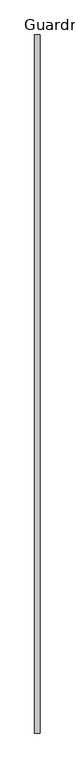
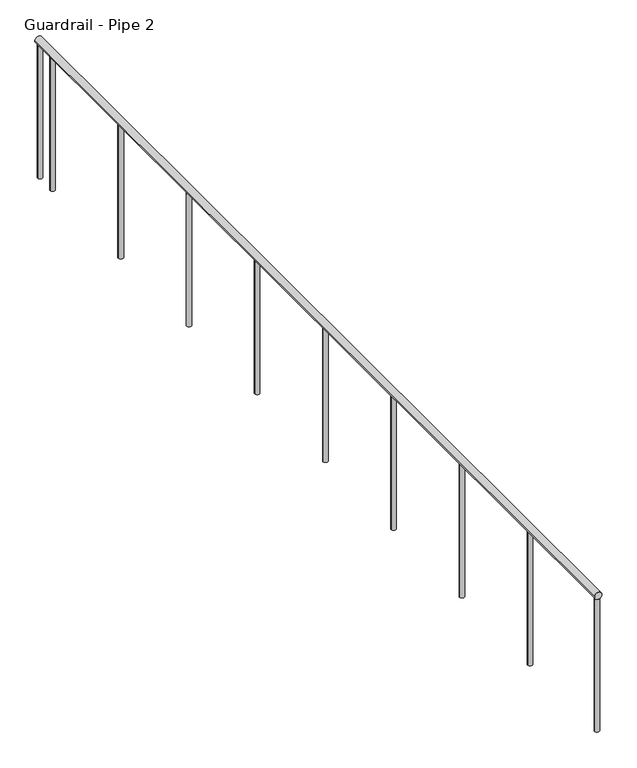
"""IFC4 building model written with IfcOpenShell, lengths in millimetres: railing geometry, Guardrail - Pipe 2."""

from ifc_helpers import new_model, si_unit, point, frame, frame_2d, origin, place, context, project, spatial, circle_curve, trimmed, segment, composite_curve, outline, extrude, source, transform, mapped, element, save


def guardrail_pipe_2_aad778e7(model_context):
    return source(origin(), model_context, "Body", "SweptSolid", [
        extrude(outline(composite_curve([segment(trimmed(circle_curve(frame_2d((5619.75, 269734.0525869)), 19.05), [point((5619.75, 269715.0025869))], [point((5619.75, 269753.1025869))], False, "CARTESIAN"), True, "CONTINUOUS"), segment(trimmed(circle_curve(frame_2d((5619.75, 269734.0525869)), 19.05), [point((5619.75, 269753.1025869))], [point((5619.75, 269715.0025869))], False, "CARTESIAN"), True, "CONTINUOUS")], self_intersect=False)), frame((0.0, -512547.4421815, 0.0), z_axis=(0.0, 1.0, 0.0), x_axis=(0.0, 0.0, 1.0)), (0.0, 0.0, 1.0), 5000.6591591),
        extrude(outline(composite_curve([segment(trimmed(circle_curve(frame_2d((269734.0525869, -507670.6421815)), 12.7), [point((269721.3525869, -507670.6421815))], [point((269746.7525869, -507670.6421815))], False, "CARTESIAN"), True, "CONTINUOUS"), segment(trimmed(circle_curve(frame_2d((269734.0525869, -507670.6421815)), 12.7), [point((269746.7525869, -507670.6421815))], [point((269721.3525869, -507670.6421815))], False, "CARTESIAN"), True, "CONTINUOUS")], self_intersect=False)), frame((0.0, 0.0, 4876.8), z_axis=(0.0, 0.0, 1.0), x_axis=(1.0, 0.0, 0.0)), (0.0, 0.0, 1.0), 723.9),
        extrude(outline(composite_curve([segment(trimmed(circle_curve(frame_2d((269734.0525869, -508280.2421815)), 12.7), [point((269721.3525869, -508280.2421815))], [point((269746.7525869, -508280.2421815))], False, "CARTESIAN"), True, "CONTINUOUS"), segment(trimmed(circle_curve(frame_2d((269734.0525869, -508280.2421815)), 12.7), [point((269746.7525869, -508280.2421815))], [point((269721.3525869, -508280.2421815))], False, "CARTESIAN"), True, "CONTINUOUS")], self_intersect=False)), frame((0.0, 0.0, 4876.8), z_axis=(0.0, 0.0, 1.0), x_axis=(1.0, 0.0, 0.0)), (0.0, 0.0, 1.0), 723.9),
        extrude(outline(composite_curve([segment(trimmed(circle_curve(frame_2d((269734.0525869, -508889.8421815)), 12.7), [point((269721.3525869, -508889.8421815))], [point((269746.7525869, -508889.8421815))], False, "CARTESIAN"), True, "CONTINUOUS"), segment(trimmed(circle_curve(frame_2d((269734.0525869, -508889.8421815)), 12.7), [point((269746.7525869, -508889.8421815))], [point((269721.3525869, -508889.8421815))], False, "CARTESIAN"), True, "CONTINUOUS")], self_intersect=False)), frame((0.0, 0.0, 4876.8), z_axis=(0.0, 0.0, 1.0), x_axis=(1.0, 0.0, 0.0)), (0.0, 0.0, 1.0), 723.9),
        extrude(outline(composite_curve([segment(trimmed(circle_curve(frame_2d((269734.0525869, -509499.4421815)), 12.7), [point((269721.3525869, -509499.4421815))], [point((269746.7525869, -509499.4421815))], False, "CARTESIAN"), True, "CONTINUOUS"), segment(trimmed(circle_curve(frame_2d((269734.0525869, -509499.4421815)), 12.7), [point((269746.7525869, -509499.4421815))], [point((269721.3525869, -509499.4421815))], False, "CARTESIAN"), True, "CONTINUOUS")], self_intersect=False)), frame((0.0, 0.0, 4876.8), z_axis=(0.0, 0.0, 1.0), x_axis=(1.0, 0.0, 0.0)), (0.0, 0.0, 1.0), 723.9),
        extrude(outline(composite_curve([segment(trimmed(circle_curve(frame_2d((269734.0525869, -510109.0421815)), 12.7), [point((269721.3525869, -510109.0421815))], [point((269746.7525869, -510109.0421815))], False, "CARTESIAN"), True, "CONTINUOUS"), segment(trimmed(circle_curve(frame_2d((269734.0525869, -510109.0421815)), 12.7), [point((269746.7525869, -510109.0421815))], [point((269721.3525869, -510109.0421815))], False, "CARTESIAN"), True, "CONTINUOUS")], self_intersect=False)), frame((0.0, 0.0, 4876.8), z_axis=(0.0, 0.0, 1.0), x_axis=(1.0, 0.0, 0.0)), (0.0, 0.0, 1.0), 723.9),
        extrude(outline(composite_curve([segment(trimmed(circle_curve(frame_2d((269734.0525869, -510718.6421815)), 12.7), [point((269721.3525869, -510718.6421815))], [point((269746.7525869, -510718.6421815))], False, "CARTESIAN"), True, "CONTINUOUS"), segment(trimmed(circle_curve(frame_2d((269734.0525869, -510718.6421815)), 12.7), [point((269746.7525869, -510718.6421815))], [point((269721.3525869, -510718.6421815))], False, "CARTESIAN"), True, "CONTINUOUS")], self_intersect=False)), frame((0.0, 0.0, 4876.8), z_axis=(0.0, 0.0, 1.0), x_axis=(1.0, 0.0, 0.0)), (0.0, 0.0, 1.0), 723.9),
        extrude(outline(composite_curve([segment(trimmed(circle_curve(frame_2d((269734.0525869, -511328.2421815)), 12.7), [point((269721.3525869, -511328.2421815))], [point((269746.7525869, -511328.2421815))], False, "CARTESIAN"), True, "CONTINUOUS"), segment(trimmed(circle_curve(frame_2d((269734.0525869, -511328.2421815)), 12.7), [point((269746.7525869, -511328.2421815))], [point((269721.3525869, -511328.2421815))], False, "CARTESIAN"), True, "CONTINUOUS")], self_intersect=False)), frame((0.0, 0.0, 4876.8), z_axis=(0.0, 0.0, 1.0), x_axis=(1.0, 0.0, 0.0)), (0.0, 0.0, 1.0), 723.9),
        extrude(outline(composite_curve([segment(trimmed(circle_curve(frame_2d((269734.0525869, -511937.8421815)), 12.7), [point((269721.3525869, -511937.8421815))], [point((269746.7525869, -511937.8421815))], False, "CARTESIAN"), True, "CONTINUOUS"), segment(trimmed(circle_curve(frame_2d((269734.0525869, -511937.8421815)), 12.7), [point((269746.7525869, -511937.8421815))], [point((269721.3525869, -511937.8421815))], False, "CARTESIAN"), True, "CONTINUOUS")], self_intersect=False)), frame((0.0, 0.0, 4876.8), z_axis=(0.0, 0.0, 1.0), x_axis=(1.0, 0.0, 0.0)), (0.0, 0.0, 1.0), 723.9),
        extrude(outline(composite_curve([segment(trimmed(circle_curve(frame_2d((269734.0525869, -507559.4830223)), 12.7), [point((269721.3525869, -507559.4830223))], [point((269746.7525869, -507559.4830223))], False, "CARTESIAN"), True, "CONTINUOUS"), segment(trimmed(circle_curve(frame_2d((269734.0525869, -507559.4830223)), 12.7), [point((269746.7525869, -507559.4830223))], [point((269721.3525869, -507559.4830223))], False, "CARTESIAN"), True, "CONTINUOUS")], self_intersect=False)), frame((0.0, 0.0, 4876.8), z_axis=(0.0, 0.0, 1.0), x_axis=(1.0, 0.0, 0.0)), (0.0, 0.0, 1.0), 723.9),
        extrude(outline(composite_curve([segment(trimmed(circle_curve(frame_2d((269734.0525869, -512534.7421815)), 12.7), [point((269721.3525869, -512534.7421815))], [point((269746.7525869, -512534.7421815))], False, "CARTESIAN"), True, "CONTINUOUS"), segment(trimmed(circle_curve(frame_2d((269734.0525869, -512534.7421815)), 12.7), [point((269746.7525869, -512534.7421815))], [point((269721.3525869, -512534.7421815))], False, "CARTESIAN"), True, "CONTINUOUS")], self_intersect=False)), frame((0.0, 0.0, 4876.8), z_axis=(0.0, 0.0, 1.0), x_axis=(1.0, 0.0, 0.0)), (0.0, 0.0, 1.0), 723.9),
    ])


if __name__ == "__main__":
    model = new_model("IFC4")
    model_context = context("Model", 3, world=origin())
    ifc_project = project(units=[si_unit("LENGTHUNIT", "METRE", prefix="MILLI")], contexts=[model_context])
    site = spatial("IfcSite", under=ifc_project)
    building = spatial("IfcBuilding", under=site)
    placement = place(None, origin())
    guardrail_pipe_2_shape = guardrail_pipe_2_aad778e7(model_context)
    element("IfcRailing", 1, ObjectType="Guardrail - Pipe 2", at=placement, inside=building, context=model_context, shape_type="MappedRepresentation", body=[
        mapped(guardrail_pipe_2_shape, transform((0.0, 0.0, 0.0), x_axis=(1.0, 0.0, 0.0), y_axis=(0.0, 1.0, 0.0), z_axis=(0.0, 0.0, 1.0))),
    ])
    save(model, "model.ifc")
